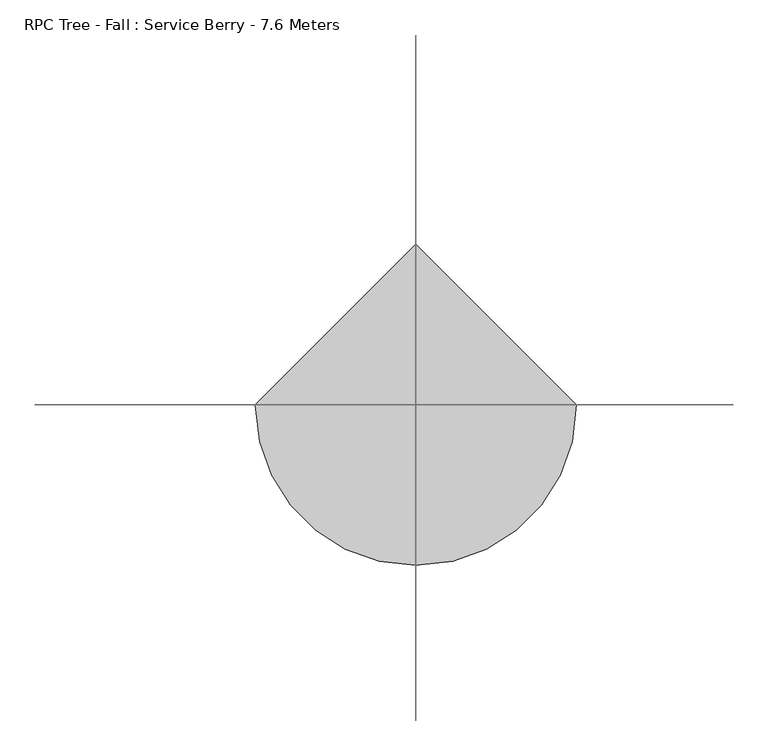
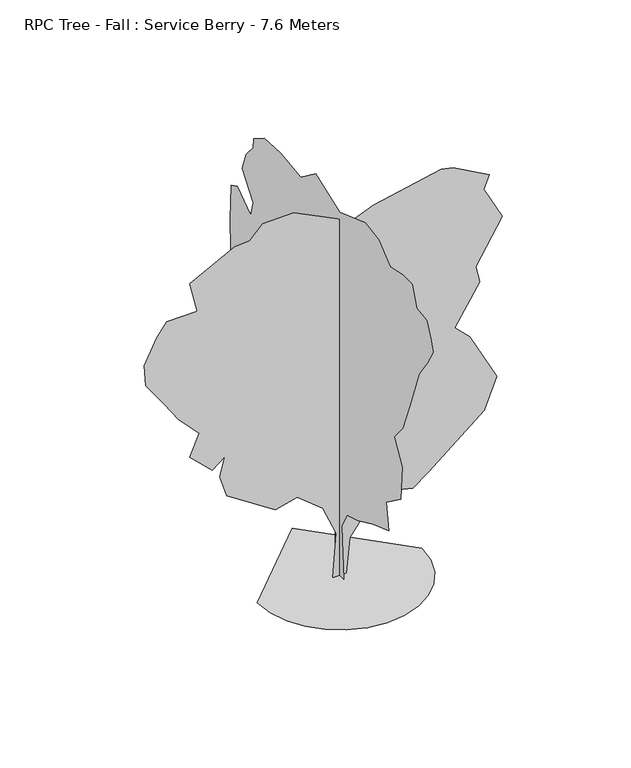
"""IFC4 building model written with IfcOpenShell, lengths in millimetres: geographic element geometry, RPC Tree - Fall : Service Berry - 7.6 Meters."""

from ifc_helpers import new_model, si_unit, origin, place, context, project, spatial, triangles, source, transform, mapped, element, save


def rpc_tree_fall_service_berry_7_6_meters_b9531864(model_context):
    return source(origin(), model_context, "Body", "Tessellation", [
        triangles([(-370.678428, 0.0, 0.0217794), (-360.8786264, -84.9347139, 0.0217794), (-332.9696832, -162.9340409, 0.0217794), (-289.1859095, -231.762961, 0.0217794), (-231.762961, -289.1859095, 0.0217794), (-162.9340409, -332.9696832, 0.0217794), (-84.9347139, -360.8786264, 0.0217794), (1.62e-05, -370.678428, 0.0217794), (84.9347139, -360.8786264, 0.0217794), (162.9340409, -332.9696832, 0.0217794), (231.762961, -289.1859095, 0.0217794), (289.186509, -231.762961, 0.0217794), (332.9696832, -162.9340409, 0.0217794), (360.8786264, -84.9347139, 0.0217794), (370.678428, 3.24e-05, 0.0217794), (-4.86e-05, 370.678428, 0.0217794), (-4e-06, -33.4293276, 0.0347856), (2.71e-05, -16.4746042, 243.8271592), (3.14e-05, -60.5633409, 324.0752769), (2.42e-05, -145.3594595, 348.3026499), (1.66e-05, -263.4675302, 402.8144025), (7.6e-06, -381.5756189, 445.2121416), (2.46e-05, -363.4052527, 569.3772371), (2.09e-05, -475.4563348, 651.1433218), (3.86e-05, -487.5703119, 811.6492224), (5.13e-05, -448.2007673, 878.2731354), (5.88e-05, -423.9733944, 917.6450781), (6.03e-05, -493.6273187, 999.4129795), (7.04e-05, -545.1102591, 1135.6908531), (8.54e-05, -619.6973488, 1335.9526119), (8.85e-05, -681.3892954, 1423.3905888), (9.24e-05, -729.8452766, 1505.1585629), (0.0001014, -708.6472973, 1559.6684624), (0.000113, -678.3593204, 1626.292448), (0.0001235, -602.6514052, 1638.4063889), (0.0001386, -566.3088561, 1729.2582561), (0.0001476, -491.2375299, 1729.3422626), (0.0001568, -392.8238059, 1708.1682644), (0.0001764, -303.0248903, 1782.7001976), (0.0001908, -199.3426107, 1799.9982697), (0.0002061, -0.1391177, 1728.9703377), (0.0002367, 186.4264114, 1798.9662106), (0.0002404, 303.3315032, 1712.9323631), (0.0002617, 463.3525314, 1732.2883038), (0.0002758, 587.517627, 1726.2343128), (0.0002794, 672.3113611, 1671.718309), (0.0002746, 675.4313015, 1627.9064484), (0.0002733, 729.8513083, 1562.69851), (0.0002668, 760.1392124, 1477.9004883), (0.0002433, 672.7132988, 1368.136694), (0.0002372, 695.9272888, 1293.9647678), (0.0002583, 797.8552242, 1369.1626488), (0.0002614, 847.9611774, 1344.6526623), (0.0002422, 854.0211273, 1178.0868118), (0.0002089, 846.1911547, 906.2031166), (0.0001816, 729.8513083, 793.481218), (0.0001473, 620.8313639, 614.801354), (0.000123, 482.0539335, 549.8796627), (0.0001004, 338.151271, 503.8693171), (9.66e-05, 273.9255219, 536.0646629), (8.38e-05, 224.107578, 478.5247158), (7.91e-05, 245.3067564, 417.9559928), (7.18e-05, 230.1645666, 372.5300228), (5.16e-05, 142.1938552, 290.7627028), (4.95e-05, 74.3729267, 340.9034649), (3.48e-05, 33.9282865, 258.0387372), (3.6e-06, 30.2401509, 0.0206377), (-30.9810895, 1.4e-06, 2.6e-06), (-15.8966246, -2.4e-05, 206.7885952), (-76.1183235, -3.8e-05, 347.0690406), (-192.0760121, -4.4e-05, 439.369366), (-290.4045124, -3.66e-05, 413.6593801), (-509.3496875, -4.42e-05, 557.2284511), (-541.0368522, -5.5e-05, 659.5733305), (-518.4348887, -6.65e-05, 748.01924), (-574.0428317, -5.87e-05, 703.0552694), (-675.9113594, -6.58e-05, 799.4992373), (-633.3413561, -7.95e-05, 898.7811132), (-724.367268, -8.71e-05, 996.3470329), (-790.991181, -9.57e-05, 1093.2589228), (-872.7591551, -0.0001059, 1208.338817), (-879.9111168, -0.0001174, 1307.1167267), (-824.7531464, -0.0001335, 1421.9866047), (-778.8772402, -0.0001425, 1480.8944916), (-641.3693544, -0.0001488, 1483.2104839), (-675.9113594, -0.0001643, 1626.2623627), (-473.0083374, -0.0001858, 1732.2522594), (-404.9192159, -0.0001893, 1736.3623283), (-345.8150474, -0.000199, 1795.8521564), (-207.7413895, -0.0002054, 1799.6022182), (55.253704, -0.0002016, 1670.8243229), (150.845253, -0.0002106, 1711.0542801), (456.7153639, -0.0002315, 1774.6541771), (511.2270802, -0.0002325, 1762.5402363), (673.8593044, -0.0002288, 1672.2643513), (649.7393377, -0.0002206, 1612.2164177), (732.4853045, -0.0002053, 1453.8105343), (613.4693859, -0.0001765, 1255.3427067), (630.3113811, -0.000168, 1178.0208275), (518.0478848, -0.0001417, 999.1490421), (586.803608, -0.0001366, 930.8511034), (707.5613171, -0.0001145, 700.6852833), (652.0193584, -9.52e-05, 559.1178343), (399.1754168, -5.93e-05, 351.2960355), (327.9554907, -5.02e-05, 300.9002925), (196.2718134, -4.83e-05, 333.1256693), (126.5872769, -3.81e-05, 273.2619359), (45.8017328, -2.16e-05, 164.5024408), (28.6944922, -1.3e-06, 0.0)], [[15, 16, 1], [14, 15, 1], [14, 1, 2], [13, 14, 2], [13, 2, 3], [13, 3, 4], [12, 13, 4], [11, 12, 4], [11, 4, 5], [11, 5, 6], [11, 6, 7], [11, 7, 8], [11, 8, 9], [11, 9, 10], [67, 17, 18], [66, 67, 18], [63, 64, 65], [21, 22, 23], [66, 18, 19], [65, 66, 19], [35, 36, 37], [51, 52, 53], [51, 53, 54], [62, 63, 65], [61, 62, 65], [48, 49, 50], [41, 42, 43], [33, 34, 35], [47, 48, 50], [51, 54, 55], [51, 55, 56], [45, 46, 47], [31, 32, 33], [31, 33, 35], [30, 31, 35], [35, 37, 38], [30, 35, 38], [29, 30, 38], [23, 24, 25], [23, 25, 26], [23, 26, 27], [44, 45, 47], [44, 47, 50], [43, 44, 50], [58, 59, 60], [41, 43, 50], [41, 50, 51], [41, 51, 56], [41, 56, 57], [41, 57, 58], [41, 58, 60], [40, 41, 60], [39, 40, 60], [38, 39, 60], [29, 38, 60], [28, 29, 60], [27, 28, 60], [23, 27, 60], [23, 60, 61], [21, 23, 61], [20, 21, 61], [20, 61, 65], [20, 65, 19], [109, 68, 69], [108, 109, 69], [107, 108, 69], [107, 69, 70], [94, 95, 96], [75, 76, 77], [75, 77, 78], [85, 86, 87], [106, 107, 70], [96, 97, 98], [85, 87, 88], [83, 84, 85], [101, 102, 103], [101, 103, 104], [100, 101, 104], [104, 105, 106], [100, 104, 106], [100, 106, 70], [100, 70, 71], [94, 96, 98], [93, 94, 98], [92, 93, 98], [91, 92, 98], [71, 72, 73], [100, 71, 73], [100, 73, 74], [100, 74, 75], [100, 75, 78], [99, 100, 78], [98, 99, 78], [91, 98, 78], [90, 91, 78], [89, 90, 78], [88, 89, 78], [85, 88, 78], [85, 78, 79], [85, 79, 80], [83, 85, 80], [83, 80, 81], [82, 83, 81]], closed=False),
    ])


if __name__ == "__main__":
    model = new_model("IFC4")
    model_context = context("Model", 3, world=origin())
    ifc_project = project(units=[si_unit("LENGTHUNIT", "METRE", prefix="MILLI")], contexts=[model_context])
    site = spatial("IfcSite", under=ifc_project)
    building = spatial("IfcBuilding", under=site)
    placement = place(None, origin())
    rpc_tree_fall_service_berry_7_6_meters_shape = rpc_tree_fall_service_berry_7_6_meters_b9531864(model_context)
    element("IfcGeographicElement", 1, ObjectType="RPC Tree - Fall : Service Berry - 7.6 Meters", at=placement, inside=building, context=model_context, shape_type="MappedRepresentation", body=[
        mapped(rpc_tree_fall_service_berry_7_6_meters_shape, transform((0.0, 0.0, 0.0), x_axis=(1.0, 0.0, 0.0), y_axis=(0.0, 1.0, 0.0), z_axis=(0.0, 0.0, 1.0))),
    ])
    save(model, "model.ifc")
